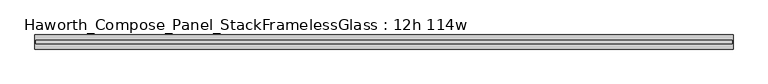
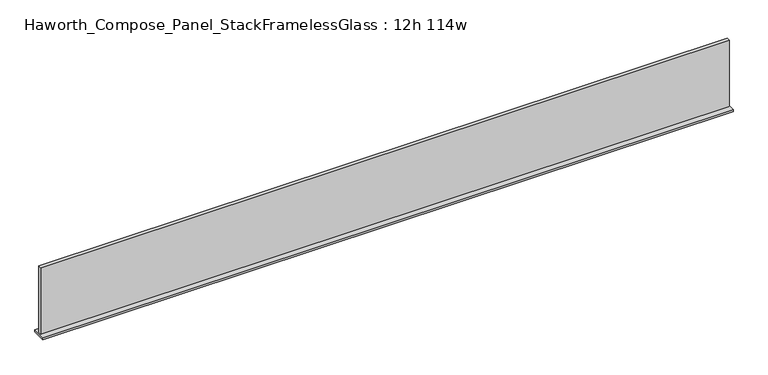
"""IFC4 building model written with IfcOpenShell, lengths in millimetres: furniture geometry, Haworth_Compose_Panel_StackFramelessGlass : 12h 114w."""

from ifc_helpers import new_model, si_unit, frame, origin, place, context, project, spatial, polyline, outline, extrude, source, transform, mapped, element, save


def haworth_compose_panel_stackframelessglass_12h_114w_1d021d3a(model_context):
    return source(origin(), model_context, "Body", "SweptSolid", [
        extrude(outline(polyline([(1447.0652902, -27.3093594), (-1442.1847098, -27.3093594), (-1442.1847098, -14.6093594), (1447.0652902, -14.6093594), (1447.0652902, -27.3093594)])), frame((0.0, 0.0, 1279.525), z_axis=(0.0, 0.0, 1.0), x_axis=(1.0, 0.0, 0.0)), (0.0, 0.0, 1.0), 295.275),
        extrude(outline(polyline([(-1445.3597098, -50.3281094), (-1445.3597098, 8.4093906), (1450.2402902, 8.4093906), (1450.2402902, -50.3281094), (-1445.3597098, -50.3281094)])), frame((0.0, 0.0, 1270.0), z_axis=(0.0, 0.0, 1.0), x_axis=(1.0, 0.0, 0.0)), (0.0, 0.0, 1.0), 9.525),
    ])


if __name__ == "__main__":
    model = new_model("IFC4")
    model_context = context("Model", 3, world=origin())
    ifc_project = project(units=[si_unit("LENGTHUNIT", "METRE", prefix="MILLI")], contexts=[model_context])
    site = spatial("IfcSite", under=ifc_project)
    building = spatial("IfcBuilding", under=site)
    placement = place(None, origin())
    haworth_compose_panel_stackframelessglass_12h_114w_shape = haworth_compose_panel_stackframelessglass_12h_114w_1d021d3a(model_context)
    element("IfcFurniture", 1, ObjectType="Haworth_Compose_Panel_StackFramelessGlass : 12h 114w", at=placement, inside=building, context=model_context, shape_type="MappedRepresentation", body=[
        mapped(haworth_compose_panel_stackframelessglass_12h_114w_shape, transform((0.0, 0.0, 0.0), x_axis=(1.0, 0.0, 0.0), y_axis=(0.0, 1.0, 0.0), z_axis=(0.0, 0.0, 1.0))),
    ])
    save(model, "model.ifc")
